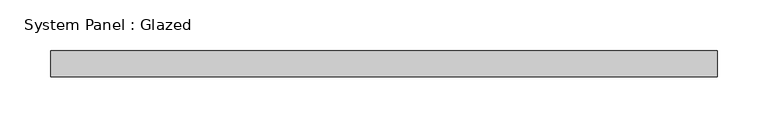
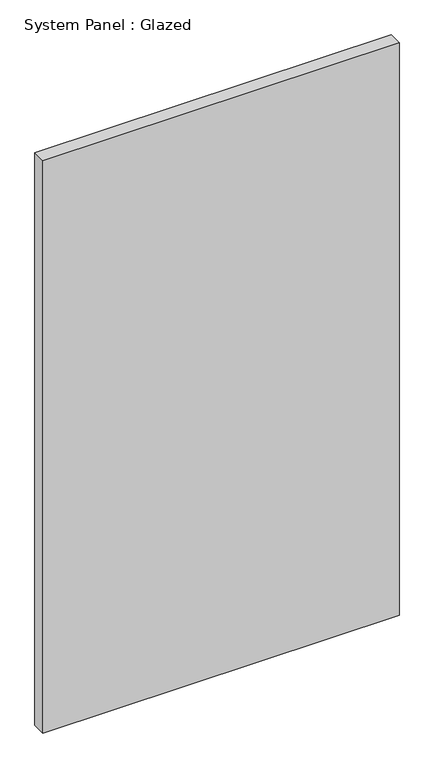
"""IFC4 building model written with IfcOpenShell, lengths in millimetres: plate geometry, System Panel : Glazed."""

from ifc_helpers import new_model, si_unit, origin, origin_with_axes, place, context, project, spatial, polyline, outline, extrude, source, transform, mapped, element, save


def system_panel_glazed_2d6618cc(model_context):
    return source(origin(), model_context, "Body", "SweptSolid", [
        extrude(outline(polyline([(327.025, -12.7), (-327.025, -12.7), (-327.025, 12.7), (327.025, 12.7), (327.025, -12.7)])), origin_with_axes(), (0.0, 0.0, 1.0), 1111.25),
    ])


if __name__ == "__main__":
    model = new_model("IFC4")
    model_context = context("Model", 3, world=origin())
    ifc_project = project(units=[si_unit("LENGTHUNIT", "METRE", prefix="MILLI")], contexts=[model_context])
    site = spatial("IfcSite", under=ifc_project)
    building = spatial("IfcBuilding", under=site)
    placement = place(None, origin())
    system_panel_glazed_shape = system_panel_glazed_2d6618cc(model_context)
    element("IfcPlate", 1, ObjectType="System Panel : Glazed", at=placement, inside=building, context=model_context, shape_type="MappedRepresentation", body=[
        mapped(system_panel_glazed_shape, transform((0.0, 0.0, 0.0), x_axis=(1.0, 0.0, 0.0), y_axis=(0.0, 1.0, 0.0), z_axis=(0.0, 0.0, 1.0))),
    ])
    save(model, "model.ifc")
